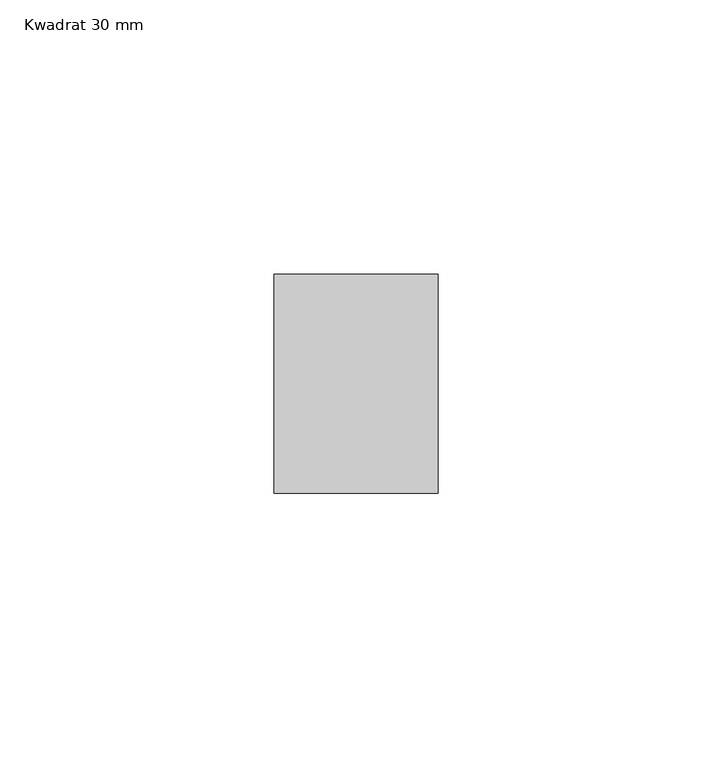
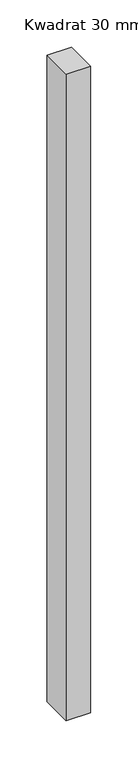
"""IFC4 building model written with IfcOpenShell, lengths in millimetres: member geometry, Kwadrat 30 mm."""

from ifc_helpers import new_model, si_unit, frame, origin, place, context, project, spatial, polyline, outline, extrude, source, transform, mapped, element, save


def kwadrat_30_mm_499278a5(model_context):
    return source(origin(), model_context, "Body", "SweptSolid", [
        extrude(outline(polyline([(0.0, 20.0), (0.0, -20.0), (-30.0, -20.0), (-30.0, 20.0), (0.0, 20.0)])), frame((0.0, 0.0, -833.3333333), z_axis=(0.0, 0.0, 1.0), x_axis=(1.0, 0.0, 0.0)), (0.0, 0.0, 1.0), 833.3333333),
    ])


if __name__ == "__main__":
    model = new_model("IFC4")
    model_context = context("Model", 3, world=origin())
    ifc_project = project(units=[si_unit("LENGTHUNIT", "METRE", prefix="MILLI")], contexts=[model_context])
    site = spatial("IfcSite", under=ifc_project)
    building = spatial("IfcBuilding", under=site)
    placement = place(None, origin())
    kwadrat_30_mm_shape = kwadrat_30_mm_499278a5(model_context)
    element("IfcMember", 1, ObjectType="Kwadrat 30 mm", at=placement, inside=building, context=model_context, shape_type="MappedRepresentation", body=[
        mapped(kwadrat_30_mm_shape, transform((0.0, 0.0, 0.0), x_axis=(1.0, 0.0, 0.0), y_axis=(0.0, 1.0, 0.0), z_axis=(0.0, 0.0, 1.0))),
    ])
    save(model, "model.ifc")
